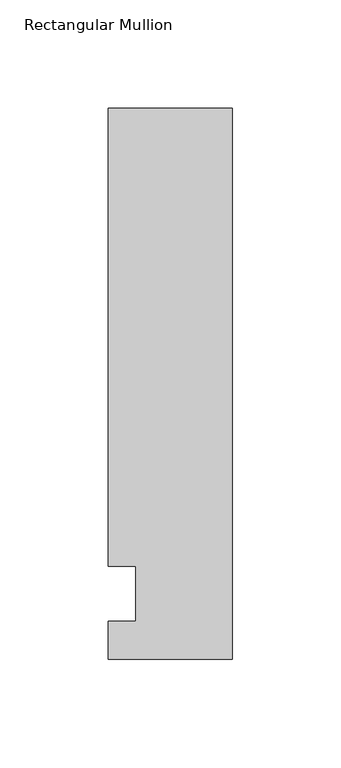
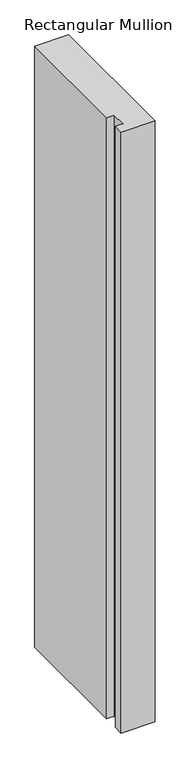
"""IFC4 building model written with IfcOpenShell, lengths in millimetres: member geometry, Rectangular Mullion."""

from ifc_helpers import new_model, si_unit, frame, origin, place, context, project, spatial, polyline, outline, extrude, source, transform, mapped, element, save


def rectangular_mullion_6c1878a7(model_context):
    return source(origin(), model_context, "Body", "SweptSolid", [
        extrude(outline(polyline([(-57.15, 223.8375), (0.0, 223.8375), (0.0, -30.1625), (-57.15, -30.1625), (-57.15, -12.7), (-44.4482296, -12.7), (-44.4482296, 12.7), (-57.15, 12.7), (-57.15, 223.8375)])), frame((0.0, 0.0, -1076.325), z_axis=(0.0, 0.0, 1.0), x_axis=(1.0, 0.0, 0.0)), (0.0, 0.0, 1.0), 1076.325),
    ])


if __name__ == "__main__":
    model = new_model("IFC4")
    model_context = context("Model", 3, world=origin())
    ifc_project = project(units=[si_unit("LENGTHUNIT", "METRE", prefix="MILLI")], contexts=[model_context])
    site = spatial("IfcSite", under=ifc_project)
    building = spatial("IfcBuilding", under=site)
    placement = place(None, origin())
    rectangular_mullion_shape = rectangular_mullion_6c1878a7(model_context)
    element("IfcMember", 1, ObjectType="Rectangular Mullion", at=placement, inside=building, context=model_context, shape_type="MappedRepresentation", body=[
        mapped(rectangular_mullion_shape, transform((0.0, 0.0, 0.0), x_axis=(1.0, 0.0, 0.0), y_axis=(0.0, 1.0, 0.0), z_axis=(0.0, 0.0, 1.0))),
    ])
    save(model, "model.ifc")
